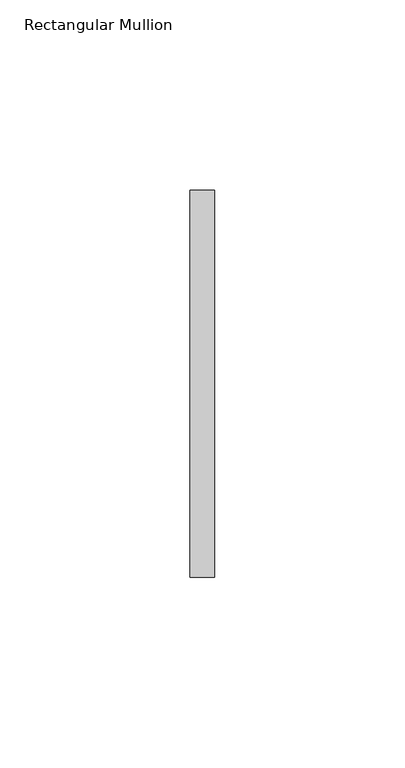
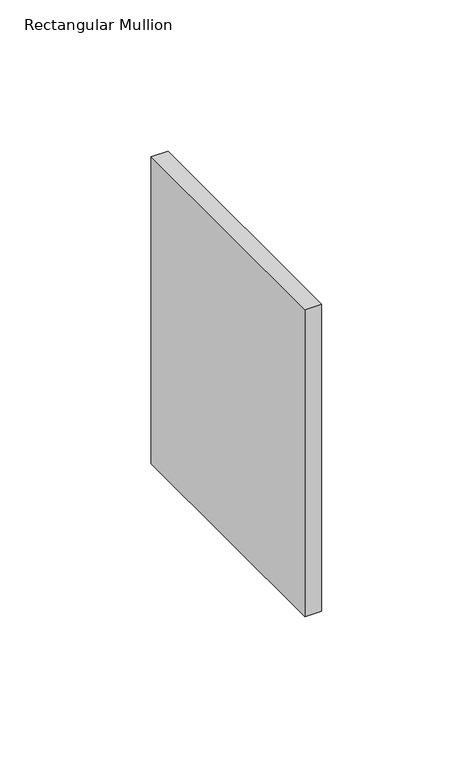
"""IFC4 building model written with IfcOpenShell, lengths in millimetres: member geometry, Rectangular Mullion."""

import ifcopenshell
import ifcopenshell.guid

model = None  # the IFC model being written
_history = None  # IfcOwnerHistory: only IFC2X3 demands one
_inside = {}  # id of a spatial element -> (the spatial element, [elements in it])
_under = {}  # id of a project, library or spatial element -> (it, [spatial elements below it])
_declared = {}  # id of a project -> (the project, [libraries it declares])
_typed = {}  # id of a type object -> (the type object, [elements of that type])
_made_of = {}  # id of a material, layer set ... -> (it, [elements and type objects made of it])


def new_model(schema):
    """Start an empty IFC model of exactly this schema.

    Asked for "IFC4X3", IfcOpenShell would pick the latest addendum, in which some entities
    have other attributes; the version numbers below select the first issue.
    IFC2X3 requires an IfcOwnerHistory on every rooted entity: one is made here for all.
    """
    global model, _history
    if schema == "IFC4X3":
        model = ifcopenshell.file(schema_version=(4, 3, 0, 0))
    else:
        model = ifcopenshell.file(schema=schema)
    _inside.clear()
    _under.clear()
    _declared.clear()
    _typed.clear()
    _made_of.clear()
    _history = None
    if model.schema == "IFC2X3":
        org = make("IfcOrganization", Name="unknown")
        user = make(
            "IfcPersonAndOrganization",
            ThePerson=make("IfcPerson", FamilyName="unknown"),
            TheOrganization=org,
        )
        app = make(
            "IfcApplication",
            ApplicationDeveloper=org,
            Version="unknown",
            ApplicationFullName="unknown",
            ApplicationIdentifier="unknown",
        )
        _history = make(
            "IfcOwnerHistory",
            OwningUser=user,
            OwningApplication=app,
            ChangeAction="ADDED",
            CreationDate=0,
        )
    return model


def make(cls, **values):
    """One entity of the class cls with the attributes given. An attribute that is None is left unset."""
    return model.create_entity(
        cls, **{name: value for name, value in values.items() if value is not None}
    )


def rooted(cls, **values):
    """An entity with a GlobalId (a new one), such as an element, a storey or a relation."""
    return make(cls, GlobalId=ifcopenshell.guid.new(), OwnerHistory=_history, **values)


def si_unit(unit_type, name, prefix=None):
    """IfcSIUnit, for example si_unit("LENGTHUNIT", "METRE", prefix="MILLI")."""
    return make("IfcSIUnit", UnitType=unit_type, Prefix=prefix, Name=name)


def assignment(units):
    """IfcUnitAssignment: the units of a project."""
    return None if units is None else make("IfcUnitAssignment", Units=units)


def point(xyz):
    """IfcCartesianPoint."""
    return None if xyz is None else make("IfcCartesianPoint", Coordinates=xyz)


def direction(xyz):
    """IfcDirection."""
    return None if xyz is None else make("IfcDirection", DirectionRatios=xyz)


def frame(location, z_axis=None, x_axis=None):
    """IfcAxis2Placement3D, a coordinate frame: its origin and axes. An axis left out is left unset."""
    return make(
        "IfcAxis2Placement3D",
        Location=point(location),
        Axis=direction(z_axis),
        RefDirection=direction(x_axis),
    )


def origin():
    """The frame at (0, 0, 0) with its axes left unset."""
    return frame((0.0, 0.0, 0.0))


def place(relative_to, where):
    """IfcLocalPlacement: puts the frame where relative to a parent placement (None: the world)."""
    return make(
        "IfcLocalPlacement", PlacementRelTo=relative_to, RelativePlacement=where
    )


def context(
    kind, dimensions, precision=None, world=None, true_north=None, identifier=None
):
    """IfcGeometricRepresentationContext, for example the 3D "Model" context."""
    return make(
        "IfcGeometricRepresentationContext",
        ContextIdentifier=identifier,
        ContextType=kind,
        CoordinateSpaceDimension=dimensions,
        Precision=precision,
        WorldCoordinateSystem=world,
        TrueNorth=true_north,
    )


def project(units=None, contexts=None):
    """IfcProject with its units and contexts."""
    return rooted(
        "IfcProject",
        Name="project",
        RepresentationContexts=contexts,
        UnitsInContext=assignment(units),
    )


def spatial(cls, under=None, at=None, **own):
    """A site, building, storey or space (cls), placed at a placement, below another one or the project."""
    s = rooted(cls, ObjectPlacement=at, **own)
    if under is not None:
        _under.setdefault(under.id(), (under, []))[1].append(s)
    return s


def polyline(points):
    """IfcPolyline through the points."""
    return make("IfcPolyline", Points=[point(p) for p in points])


def outline(outer, holes=None, kind="AREA"):
    """IfcArbitraryClosedProfileDef: a profile drawn as a closed curve; with holes, ...WithVoids."""
    if holes is None:
        return make("IfcArbitraryClosedProfileDef", ProfileType=kind, OuterCurve=outer)
    return make(
        "IfcArbitraryProfileDefWithVoids",
        ProfileType=kind,
        OuterCurve=outer,
        InnerCurves=holes,
    )


def extrude(swept, where, along, depth):
    """IfcExtrudedAreaSolid: the profile swept, set in the frame where, extruded along a direction by depth."""
    return make(
        "IfcExtrudedAreaSolid",
        SweptArea=swept,
        Position=where,
        ExtrudedDirection=direction(along),
        Depth=depth,
    )


def shape(context_of_items, identifier, shape_type, items):
    """IfcShapeRepresentation: the items that make up one representation, for example the "Body"."""
    return make(
        "IfcShapeRepresentation",
        ContextOfItems=context_of_items,
        RepresentationIdentifier=identifier,
        RepresentationType=shape_type,
        Items=items,
    )


def source(mapping_origin, context_of_items, identifier, shape_type, items):
    """IfcRepresentationMap: a shape defined once, which mapped items show again and again."""
    return make(
        "IfcRepresentationMap",
        MappingOrigin=mapping_origin,
        MappedRepresentation=shape(context_of_items, identifier, shape_type, items),
    )


def transform(
    local_origin,
    x_axis=None,
    y_axis=None,
    z_axis=None,
    scale=None,
    scale2=None,
    scale3=None,
    uniform=True,
):
    """IfcCartesianTransformationOperator3D, or its non-uniform kind. x_axis, y_axis, z_axis: its Axis1, 2, 3."""
    if uniform:
        return make(
            "IfcCartesianTransformationOperator3D",
            Axis1=direction(x_axis),
            Axis2=direction(y_axis),
            LocalOrigin=point(local_origin),
            Scale=scale,
            Axis3=direction(z_axis),
        )
    return make(
        "IfcCartesianTransformationOperator3DnonUniform",
        Axis1=direction(x_axis),
        Axis2=direction(y_axis),
        LocalOrigin=point(local_origin),
        Scale=scale,
        Axis3=direction(z_axis),
        Scale2=scale2,
        Scale3=scale3,
    )


def mapped(mapping_source, mapping_target):
    """IfcMappedItem: shows the shape of a source again, moved by a transform."""
    return make(
        "IfcMappedItem", MappingSource=mapping_source, MappingTarget=mapping_target
    )


def made_of(thing, what):
    """Note that an element or type object is made of a material, layer set ...; save() writes the relation."""
    if what is not None:
        _made_of.setdefault(what.id(), (what, []))[1].append(thing)
    return thing


def element(
    cls,
    number,
    at=None,
    inside=None,
    cuts=None,
    type_object=None,
    material=None,
    context=None,
    identifier="Body",
    shape_type=None,
    held_by="IfcProductDefinitionShape",
    body=None,
    shapes=None,
    **own,
):
    """One element of the class cls, such as IfcWall. Its Tag is "e" and its number.

    at: its placement. inside: the storey or other place that contains it. cuts: it is an
    opening in that element (IfcRelVoidsElement). A single representation is given by context,
    identifier, shape_type and body (its items); several are given by shapes. held_by: the class
    of the entity that holds the representations. save() writes the other relations.
    """
    e = rooted(cls, Tag="e%d" % number, ObjectPlacement=at, **own)
    if body is not None:
        shapes = [shape(context, identifier, shape_type, body)]
    if shapes is not None:
        e.Representation = make(held_by, Representations=shapes)
    if inside is not None:
        _inside.setdefault(inside.id(), (inside, []))[1].append(e)
    if cuts is not None:
        rooted(
            "IfcRelVoidsElement", RelatingBuildingElement=cuts, RelatedOpeningElement=e
        )
    if type_object is not None:
        _typed.setdefault(type_object.id(), (type_object, []))[1].append(e)
    return made_of(e, material)


def aggregate(whole, parts):
    """IfcRelAggregates: a whole, such as a stair, and the parts it consists of."""
    return rooted("IfcRelAggregates", RelatingObject=whole, RelatedObjects=parts)


def save(model, path):
    """Write the relations noted so far, then the file.

    IfcRelAggregates (storeys below a building ...), IfcRelContainedInSpatialStructure (elements
    in a storey), IfcRelDefinesByType, IfcRelAssociatesMaterial and IfcRelDeclares: one each for
    every whole, place, type object, material and project.
    """
    for whole, parts in _under.values():
        aggregate(whole, parts)
    for where, things in _inside.values():
        rooted(
            "IfcRelContainedInSpatialStructure",
            RelatedElements=things,
            RelatingStructure=where,
        )
    for kind, things in _typed.values():
        rooted("IfcRelDefinesByType", RelatedObjects=things, RelatingType=kind)
    for what, things in _made_of.values():
        rooted("IfcRelAssociatesMaterial", RelatedObjects=things, RelatingMaterial=what)
    for by, libraries in _declared.values():
        rooted("IfcRelDeclares", RelatingContext=by, RelatedDefinitions=libraries)
    model.write(path)


def rectangular_mullion_cbc77352(model_context):
    return source(origin(), model_context, "Body", "SweptSolid", [
        extrude(outline(polyline([(0.0, 50.8), (0.0, -50.8), (-6.35, -50.8), (-6.35, 50.8), (0.0, 50.8)])), frame((0.0, 0.0, -123.7990467), z_axis=(0.0, 0.0, 1.0), x_axis=(1.0, 0.0, 0.0)), (0.0, 0.0, 1.0), 123.7990467),
    ])


if __name__ == "__main__":
    model = new_model("IFC4")
    model_context = context("Model", 3, world=origin())
    ifc_project = project(units=[si_unit("LENGTHUNIT", "METRE", prefix="MILLI")], contexts=[model_context])
    site = spatial("IfcSite", under=ifc_project)
    building = spatial("IfcBuilding", under=site)
    placement = place(None, origin())
    rectangular_mullion_shape = rectangular_mullion_cbc77352(model_context)
    element("IfcMember", 1, ObjectType="Rectangular Mullion", at=placement, inside=building, context=model_context, shape_type="MappedRepresentation", body=[
        mapped(rectangular_mullion_shape, transform((0.0, 0.0, 0.0), x_axis=(1.0, 0.0, 0.0), y_axis=(0.0, 1.0, 0.0), z_axis=(0.0, 0.0, 1.0))),
    ])
    save(model, "model.ifc")
